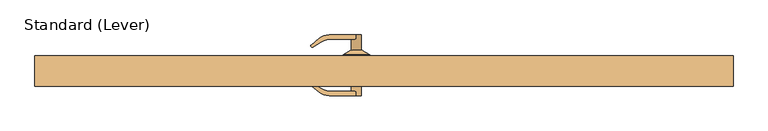
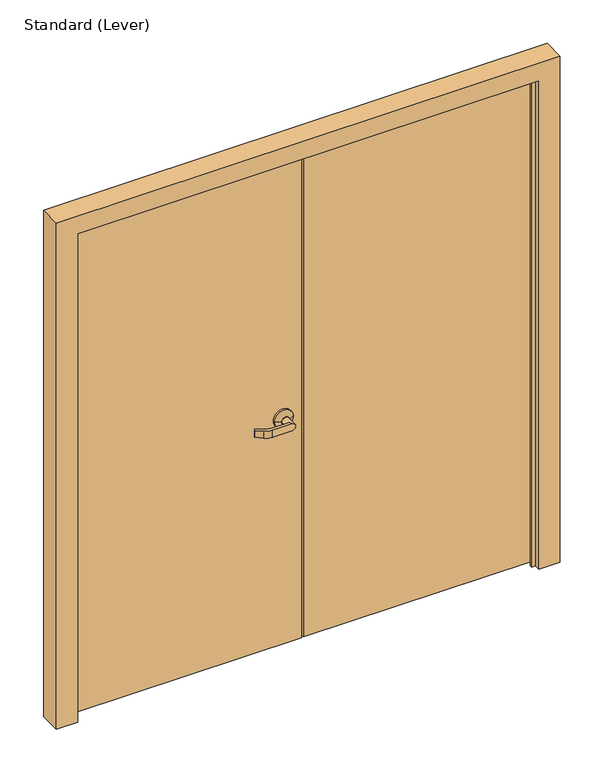
"""IFC4 building model written with IfcOpenShell, lengths in millimetres: door geometry, Standard (Lever)."""

import ifcopenshell
import ifcopenshell.guid

model = None  # the IFC model being written
_history = None  # IfcOwnerHistory: only IFC2X3 demands one
_inside = {}  # id of a spatial element -> (the spatial element, [elements in it])
_under = {}  # id of a project, library or spatial element -> (it, [spatial elements below it])
_declared = {}  # id of a project -> (the project, [libraries it declares])
_typed = {}  # id of a type object -> (the type object, [elements of that type])
_made_of = {}  # id of a material, layer set ... -> (it, [elements and type objects made of it])


def new_model(schema):
    """Start an empty IFC model of exactly this schema.

    Asked for "IFC4X3", IfcOpenShell would pick the latest addendum, in which some entities
    have other attributes; the version numbers below select the first issue.
    IFC2X3 requires an IfcOwnerHistory on every rooted entity: one is made here for all.
    """
    global model, _history
    if schema == "IFC4X3":
        model = ifcopenshell.file(schema_version=(4, 3, 0, 0))
    else:
        model = ifcopenshell.file(schema=schema)
    _inside.clear()
    _under.clear()
    _declared.clear()
    _typed.clear()
    _made_of.clear()
    _history = None
    if model.schema == "IFC2X3":
        org = make("IfcOrganization", Name="unknown")
        user = make(
            "IfcPersonAndOrganization",
            ThePerson=make("IfcPerson", FamilyName="unknown"),
            TheOrganization=org,
        )
        app = make(
            "IfcApplication",
            ApplicationDeveloper=org,
            Version="unknown",
            ApplicationFullName="unknown",
            ApplicationIdentifier="unknown",
        )
        _history = make(
            "IfcOwnerHistory",
            OwningUser=user,
            OwningApplication=app,
            ChangeAction="ADDED",
            CreationDate=0,
        )
    return model


def make(cls, **values):
    """One entity of the class cls with the attributes given. An attribute that is None is left unset."""
    return model.create_entity(
        cls, **{name: value for name, value in values.items() if value is not None}
    )


def rooted(cls, **values):
    """An entity with a GlobalId (a new one), such as an element, a storey or a relation."""
    return make(cls, GlobalId=ifcopenshell.guid.new(), OwnerHistory=_history, **values)


def si_unit(unit_type, name, prefix=None):
    """IfcSIUnit, for example si_unit("LENGTHUNIT", "METRE", prefix="MILLI")."""
    return make("IfcSIUnit", UnitType=unit_type, Prefix=prefix, Name=name)


def assignment(units):
    """IfcUnitAssignment: the units of a project."""
    return None if units is None else make("IfcUnitAssignment", Units=units)


def point(xyz):
    """IfcCartesianPoint."""
    return None if xyz is None else make("IfcCartesianPoint", Coordinates=xyz)


def direction(xyz):
    """IfcDirection."""
    return None if xyz is None else make("IfcDirection", DirectionRatios=xyz)


def frame(location, z_axis=None, x_axis=None):
    """IfcAxis2Placement3D, a coordinate frame: its origin and axes. An axis left out is left unset."""
    return make(
        "IfcAxis2Placement3D",
        Location=point(location),
        Axis=direction(z_axis),
        RefDirection=direction(x_axis),
    )


def origin():
    """The frame at (0, 0, 0) with its axes left unset."""
    return frame((0.0, 0.0, 0.0))


def place(relative_to, where):
    """IfcLocalPlacement: puts the frame where relative to a parent placement (None: the world)."""
    return make(
        "IfcLocalPlacement", PlacementRelTo=relative_to, RelativePlacement=where
    )


def context(
    kind, dimensions, precision=None, world=None, true_north=None, identifier=None
):
    """IfcGeometricRepresentationContext, for example the 3D "Model" context."""
    return make(
        "IfcGeometricRepresentationContext",
        ContextIdentifier=identifier,
        ContextType=kind,
        CoordinateSpaceDimension=dimensions,
        Precision=precision,
        WorldCoordinateSystem=world,
        TrueNorth=true_north,
    )


def project(units=None, contexts=None):
    """IfcProject with its units and contexts."""
    return rooted(
        "IfcProject",
        Name="project",
        RepresentationContexts=contexts,
        UnitsInContext=assignment(units),
    )


def spatial(cls, under=None, at=None, **own):
    """A site, building, storey or space (cls), placed at a placement, below another one or the project."""
    s = rooted(cls, ObjectPlacement=at, **own)
    if under is not None:
        _under.setdefault(under.id(), (under, []))[1].append(s)
    return s


def polyline(points):
    """IfcPolyline through the points."""
    return make("IfcPolyline", Points=[point(p) for p in points])


def circle_curve(where, radius):
    """IfcCircle in the frame where."""
    return make("IfcCircle", Position=where, Radius=radius)


def outline(outer, holes=None, kind="AREA"):
    """IfcArbitraryClosedProfileDef: a profile drawn as a closed curve; with holes, ...WithVoids."""
    if holes is None:
        return make("IfcArbitraryClosedProfileDef", ProfileType=kind, OuterCurve=outer)
    return make(
        "IfcArbitraryProfileDefWithVoids",
        ProfileType=kind,
        OuterCurve=outer,
        InnerCurves=holes,
    )


def extrude(swept, where, along, depth):
    """IfcExtrudedAreaSolid: the profile swept, set in the frame where, extruded along a direction by depth."""
    return make(
        "IfcExtrudedAreaSolid",
        SweptArea=swept,
        Position=where,
        ExtrudedDirection=direction(along),
        Depth=depth,
    )


def faces_of(points, faces, orient=None, outer=None):
    """IfcFace entities. A face is a list of loops; a loop is a list of indices into points, from 0.

    orient and outer hold one flag for each loop. By default every Orientation is true, the
    first loop of a face is its IfcFaceOuterBound and the others are IfcFaceBound.
    """
    made = []
    for i, loops in enumerate(faces):
        bounds = []
        for j, loop in enumerate(loops):
            is_outer = j == 0 if outer is None else outer[i][j]
            bounds.append(
                make(
                    "IfcFaceOuterBound" if is_outer else "IfcFaceBound",
                    Bound=make("IfcPolyLoop", Polygon=[points[k] for k in loop]),
                    Orientation=True if orient is None else orient[i][j],
                )
            )
        made.append(make("IfcFace", Bounds=bounds))
    return made


def faceted_brep(points, faces, orient=None, outer=None, voids=None):
    """IfcFacetedBrep: a solid bounded by flat faces; with voids (closed shells), ...WithVoids."""
    shared = [point(p) for p in points]
    hull = make("IfcClosedShell", CfsFaces=faces_of(shared, faces, orient, outer))
    if voids is None:
        return make("IfcFacetedBrep", Outer=hull)
    return make(
        "IfcFacetedBrepWithVoids",
        Outer=hull,
        Voids=[
            make(cls, CfsFaces=faces_of(shared, fs, o, b)) for cls, fs, o, b in voids
        ],
    )


def shape(context_of_items, identifier, shape_type, items):
    """IfcShapeRepresentation: the items that make up one representation, for example the "Body"."""
    return make(
        "IfcShapeRepresentation",
        ContextOfItems=context_of_items,
        RepresentationIdentifier=identifier,
        RepresentationType=shape_type,
        Items=items,
    )


def source(mapping_origin, context_of_items, identifier, shape_type, items):
    """IfcRepresentationMap: a shape defined once, which mapped items show again and again."""
    return make(
        "IfcRepresentationMap",
        MappingOrigin=mapping_origin,
        MappedRepresentation=shape(context_of_items, identifier, shape_type, items),
    )


def transform(
    local_origin,
    x_axis=None,
    y_axis=None,
    z_axis=None,
    scale=None,
    scale2=None,
    scale3=None,
    uniform=True,
):
    """IfcCartesianTransformationOperator3D, or its non-uniform kind. x_axis, y_axis, z_axis: its Axis1, 2, 3."""
    if uniform:
        return make(
            "IfcCartesianTransformationOperator3D",
            Axis1=direction(x_axis),
            Axis2=direction(y_axis),
            LocalOrigin=point(local_origin),
            Scale=scale,
            Axis3=direction(z_axis),
        )
    return make(
        "IfcCartesianTransformationOperator3DnonUniform",
        Axis1=direction(x_axis),
        Axis2=direction(y_axis),
        LocalOrigin=point(local_origin),
        Scale=scale,
        Axis3=direction(z_axis),
        Scale2=scale2,
        Scale3=scale3,
    )


def mapped(mapping_source, mapping_target):
    """IfcMappedItem: shows the shape of a source again, moved by a transform."""
    return make(
        "IfcMappedItem", MappingSource=mapping_source, MappingTarget=mapping_target
    )


def made_of(thing, what):
    """Note that an element or type object is made of a material, layer set ...; save() writes the relation."""
    if what is not None:
        _made_of.setdefault(what.id(), (what, []))[1].append(thing)
    return thing


def element(
    cls,
    number,
    at=None,
    inside=None,
    cuts=None,
    type_object=None,
    material=None,
    context=None,
    identifier="Body",
    shape_type=None,
    held_by="IfcProductDefinitionShape",
    body=None,
    shapes=None,
    **own,
):
    """One element of the class cls, such as IfcWall. Its Tag is "e" and its number.

    at: its placement. inside: the storey or other place that contains it. cuts: it is an
    opening in that element (IfcRelVoidsElement). A single representation is given by context,
    identifier, shape_type and body (its items); several are given by shapes. held_by: the class
    of the entity that holds the representations. save() writes the other relations.
    """
    e = rooted(cls, Tag="e%d" % number, ObjectPlacement=at, **own)
    if body is not None:
        shapes = [shape(context, identifier, shape_type, body)]
    if shapes is not None:
        e.Representation = make(held_by, Representations=shapes)
    if inside is not None:
        _inside.setdefault(inside.id(), (inside, []))[1].append(e)
    if cuts is not None:
        rooted(
            "IfcRelVoidsElement", RelatingBuildingElement=cuts, RelatedOpeningElement=e
        )
    if type_object is not None:
        _typed.setdefault(type_object.id(), (type_object, []))[1].append(e)
    return made_of(e, material)


def aggregate(whole, parts):
    """IfcRelAggregates: a whole, such as a stair, and the parts it consists of."""
    return rooted("IfcRelAggregates", RelatingObject=whole, RelatedObjects=parts)


def save(model, path):
    """Write the relations noted so far, then the file.

    IfcRelAggregates (storeys below a building ...), IfcRelContainedInSpatialStructure (elements
    in a storey), IfcRelDefinesByType, IfcRelAssociatesMaterial and IfcRelDeclares: one each for
    every whole, place, type object, material and project.
    """
    for whole, parts in _under.values():
        aggregate(whole, parts)
    for where, things in _inside.values():
        rooted(
            "IfcRelContainedInSpatialStructure",
            RelatedElements=things,
            RelatingStructure=where,
        )
    for kind, things in _typed.values():
        rooted("IfcRelDefinesByType", RelatedObjects=things, RelatingType=kind)
    for what, things in _made_of.values():
        rooted("IfcRelAssociatesMaterial", RelatedObjects=things, RelatingMaterial=what)
    for by, libraries in _declared.values():
        rooted("IfcRelDeclares", RelatingContext=by, RelatedDefinitions=libraries)
    model.write(path)


def plane_surface(at):
    """IfcPlane: the flat surface through the origin of the frame at, square to its z axis."""
    return make("IfcPlane", Position=at)


def cylinder_surface(at, radius):
    """IfcCylindricalSurface: all points at the distance radius from the z axis of the frame at."""
    return make("IfcCylindricalSurface", Position=at, Radius=radius)


def revolved_surface(curve, axis_point, axis_direction):
    """IfcSurfaceOfRevolution: the curve turned about the line through axis_point along axis_direction."""
    return make(
        "IfcSurfaceOfRevolution",
        SweptCurve=make("IfcArbitraryOpenProfileDef", ProfileType="CURVE", Curve=curve),
        AxisPosition=make("IfcAxis1Placement", Location=point(axis_point), Axis=direction(axis_direction)),
    )


def advanced_brep(points, edges, surfaces, faces):
    """IfcAdvancedBrep: a solid bounded by faces that lie on surfaces and meet in shared edges.

    An edge is (start, end): straight between two places in points (the first is 0);
    or (start, end, curve); or (start, end, curve, False) where it runs against its curve.
    A face is (place in surfaces, loops), or (place, loops, False) where it looks against
    its surface's normal. A loop lists edges by number (the first is 1), with a minus sign
    where the edge is run from its end to its start. The first loop is the outer one.
    """
    corners = [point(p) for p in points]
    vertices = [make("IfcVertexPoint", VertexGeometry=c) for c in corners]
    made = []
    for start, end, *more in edges:
        made.append(
            make(
                "IfcEdgeCurve",
                EdgeStart=vertices[start],
                EdgeEnd=vertices[end],
                EdgeGeometry=more[0] if more else make("IfcPolyline", Points=[corners[start], corners[end]]),
                SameSense=more[1] if len(more) > 1 else True,
            )
        )
    hull = []
    for where, loops, *sense in faces:
        bounds = []
        for j, loop in enumerate(loops):
            ring = [make("IfcOrientedEdge", EdgeElement=made[abs(k) - 1], Orientation=k > 0) for k in loop]
            bounds.append(
                make(
                    "IfcFaceOuterBound" if j == 0 else "IfcFaceBound",
                    Bound=make("IfcEdgeLoop", EdgeList=ring),
                    Orientation=True,
                )
            )
        hull.append(make("IfcAdvancedFace", Bounds=bounds, FaceSurface=surfaces[where], SameSense=sense[0] if sense else True))
    return make("IfcAdvancedBrep", Outer=make("IfcClosedShell", CfsFaces=hull))


def standard_lever_a0e648d0(model_context):
    return source(origin(), model_context, "Body", "SolidModel", [
        advanced_brep(
        [(-636.5875, -5.55625, 965.2), (-712.7875, -5.55625, 965.2), (-636.5875, -13.49375, 965.2), (-712.7875, -13.49375, 965.2), (-660.4, -70.64375, 965.2), (-674.6875, -70.64375, 979.4875), (-753.4374604, -70.64375, 979.4875), (-753.4374604, -70.64375, 950.9125), (-674.6875, -70.64375, 950.9125), (-674.6875, -57.94375, 950.9125), (-688.975, -57.94375, 965.2), (-688.975, -26.19375, 965.2), (-660.4, -26.19375, 965.2), (-674.6875, -57.94375, 979.4875), (-658.8125, -26.19375, 965.2), (-690.5625, -26.19375, 965.2), (-750.094728, -57.94375, 979.4875), (-777.762391, -49.7482149, 979.4875), (-800.2161767, -35.1665559, 979.4875), (-803.5789383, -35.5199964, 979.4875), (-805.5957882, -37.5368463, 979.4875), (-805.3496866, -41.7867682, 979.4875), (-781.0302761, -61.0425523, 979.4875), (-750.094728, -57.94375, 950.9125), (-781.0302761, -61.0425523, 950.9125), (-805.3496866, -41.7867682, 950.9125), (-805.5957882, -37.5368463, 950.9125), (-803.5789383, -35.5199964, 950.9125), (-800.2161767, -35.1665559, 950.9125), (-777.762391, -49.7482149, 950.9125)],
        [
            (0, 1, circle_curve(frame((-674.6875, -5.55625, 965.2), z_axis=(0.0, 1.0, 0.0), x_axis=(-1.0, 0.0, 0.0)), 38.1)),
            (1, 0, circle_curve(frame((-674.6875, -5.55625, 965.2), z_axis=(0.0, 1.0, 0.0), x_axis=(-1.0, 0.0, 0.0)), 38.1)),
            (0, 2),
            (2, 3, circle_curve(frame((-674.6875, -13.49375, 965.2), z_axis=(0.0, 1.0, 0.0), x_axis=(-1.0, 0.0, 0.0)), 38.1)),
            (3, 1),
            (3, 2, circle_curve(frame((-674.6875, -13.49375, 965.2), z_axis=(0.0, 1.0, 0.0), x_axis=(-1.0, 0.0, 0.0)), 38.1)),
            (4, 5, circle_curve(frame((-674.6875, -70.64375, 965.2), z_axis=(0.0, -1.0, 0.0), x_axis=(-1.0, 0.0, 0.0)), 14.2875)),
            (5, 6),
            (6, 7),
            (7, 8),
            (8, 4, circle_curve(frame((-674.6875, -70.64375, 965.2), z_axis=(0.0, -1.0, 0.0), x_axis=(-1.0, 0.0, 0.0)), 14.2875)),
            (8, 9),
            (9, 10, circle_curve(frame((-674.6875, -57.94375, 965.2), z_axis=(0.0, 1.0, 0.0), x_axis=(-1.0, 0.0, 0.0)), 14.2875)),
            (10, 11),
            (11, 12, circle_curve(frame((-674.6875, -26.19375, 965.2), z_axis=(0.0, -1.0, 0.0), x_axis=(-1.0, 0.0, 0.0)), 14.2875)),
            (12, 4),
            (12, 11, circle_curve(frame((-674.6875, -26.19375, 965.2), z_axis=(0.0, -1.0, 0.0), x_axis=(-1.0, 0.0, 0.0)), 14.2875)),
            (10, 13, circle_curve(frame((-674.6875, -57.94375, 965.2), z_axis=(0.0, 1.0, 0.0), x_axis=(-1.0, 0.0, 0.0)), 14.2875)),
            (13, 5),
            (14, 15, circle_curve(frame((-674.6875, -26.19375, 965.2), z_axis=(0.0, -1.0, 0.0), x_axis=(-1.0, 0.0, 0.0)), 15.875)),
            (15, 14, circle_curve(frame((-674.6875, -26.19375, 965.2), z_axis=(0.0, -1.0, 0.0), x_axis=(1.0, 0.0, 0.0)), 15.875)),
            (15, 3),
            (2, 14),
            (16, 17, circle_curve(frame((-750.094728, -7.14375, 979.4875), z_axis=(0.0, 0.0, -1.0), x_axis=(-1.0, 0.0, 0.0)), 50.8)),
            (17, 18),
            (18, 19, circle_curve(frame((-801.6793262, -37.4196085, 979.4875), z_axis=(0.0, 0.0, 1.0), x_axis=(-1.0, 0.0, 0.0)), 2.6864572)),
            (19, 20),
            (20, 21, circle_curve(frame((-803.5804071, -39.5522275, 979.4875), z_axis=(0.0, 0.0, 1.0), x_axis=(-1.0, 0.0, 0.0)), 2.8501794)),
            (21, 22),
            (22, 6, circle_curve(frame((-753.4374604, -26.19375, 979.4875), z_axis=(0.0, 0.0, 1.0), x_axis=(-1.0, 0.0, 0.0)), 44.45)),
            (13, 16),
            (23, 9),
            (7, 24, circle_curve(frame((-753.4374604, -26.19375, 950.9125), z_axis=(0.0, 0.0, -1.0), x_axis=(-1.0, 0.0, 0.0)), 44.45)),
            (24, 25),
            (25, 26, circle_curve(frame((-803.5804071, -39.5522275, 950.9125), z_axis=(0.0, 0.0, -1.0), x_axis=(-1.0, 0.0, 0.0)), 2.8501794)),
            (26, 27),
            (27, 28, circle_curve(frame((-801.6793262, -37.4196085, 950.9125), z_axis=(0.0, 0.0, -1.0), x_axis=(-1.0, 0.0, 0.0)), 2.6864572)),
            (28, 29),
            (29, 23, circle_curve(frame((-750.094728, -7.14375, 950.9125), z_axis=(0.0, 0.0, 1.0), x_axis=(-1.0, 0.0, 0.0)), 50.8)),
            (23, 16),
            (22, 24),
            (21, 25),
            (20, 26),
            (19, 27),
            (18, 28),
            (17, 29),
        ],
        [
            plane_surface(frame((-712.7875, -5.55625, 965.2), z_axis=(0.0, 1.0, 0.0), x_axis=(0.0, 0.0, -1.0))),
            cylinder_surface(frame((-674.6875, -5.55625, 965.2), z_axis=(0.0, -1.0, 0.0), x_axis=(-1.0, 0.0, 0.0)), 38.1),
            plane_surface(frame((-688.975, -70.64375, 965.2), z_axis=(0.0, -1.0, 0.0), x_axis=(0.0, 0.0, 1.0))),
            cylinder_surface(frame((-674.6875, -13.49375, 965.2), z_axis=(0.0, -1.0, 0.0), x_axis=(-1.0, 0.0, 0.0)), 14.2875),
            plane_surface(frame((-674.6875, -26.19375, 965.2), z_axis=(0.0, -1.0, 0.0), x_axis=(0.0, 0.0, -1.0))),
            revolved_surface(polyline([(-690.5625000291667, -26.19375, 965.2), (-712.7875, -13.493749999999999, 965.2)]), (-674.6875, -35.2651786, 965.2), (0.0, 1.0, 0.0)),
            revolved_surface(polyline([(-658.8124999708333, -26.19375, 965.2), (-636.5875, -13.493749999999999, 965.2)]), (-674.6875, -35.2651786, 965.2), (0.0, 1.0, 0.0)),
            plane_surface(frame((-674.6875, -57.94375, 979.4875), z_axis=(0.0, 0.0, 1.0), x_axis=(1.0, 0.0, 0.0))),
            plane_surface(frame((-674.6875, -57.94375, 950.9125), z_axis=(0.0, 0.0, -1.0), x_axis=(-1.0, 0.0, 0.0))),
            plane_surface(frame((-750.094728, -57.94375, 979.4875), z_axis=(0.0, 1.0, 0.0), x_axis=(0.0, 0.0, -1.0))),
            cylinder_surface(frame((-753.4374604, -26.19375, 950.9125), z_axis=(0.0, 0.0, 1.0), x_axis=(-1.0, 0.0, 0.0)), 44.45),
            plane_surface(frame((-781.0302761, -61.0425523, 979.4875), z_axis=(-0.6207607591148713, -0.7840000509841367, 0.0), x_axis=(0.0, 0.0, -1.0))),
            cylinder_surface(frame((-803.5804071, -39.5522275, 950.9125), z_axis=(0.0, 0.0, 1.0), x_axis=(-1.0, 0.0, 0.0)), 2.8501794),
            plane_surface(frame((-805.5957882, -37.5368463, 979.4875), z_axis=(-0.7071067811865505, 0.7071067811865446, 0.0), x_axis=(0.0, 0.0, -1.0))),
            cylinder_surface(frame((-801.6793262, -37.4196085, 950.9125), z_axis=(0.0, 0.0, 1.0), x_axis=(-1.0, 0.0, 0.0)), 2.6864572),
            plane_surface(frame((-800.2161767, -35.1665559, 979.4875), z_axis=(0.544639035015027, 0.838670567945424, 0.0), x_axis=(0.0, 0.0, -1.0))),
            revolved_surface(polyline([(-800.894728, -7.14375, 950.9125), (-800.894728, -7.14375, 979.4875)]), (-750.094728, -7.14375, 950.9125), (0.0, 0.0, -1.0)),
        ],
        [
            (0, [[1, 2]]),
            (1, [[3, 4, 5, -1]]),
            (1, [[-5, 6, -3, -2]]),
            (2, [[7, 8, 9, 10, 11]]),
            (3, [[-11, 12, 13, 14, 15, 16]]),
            (3, [[17, -14, 18, 19, -7, -16]]),
            (4, [[20, 21], [-17, -15]]),
            (5, [[22, -4, 23, -21]]),
            (6, [[-23, -6, -22, -20]]),
            (7, [[24, 25, 26, 27, 28, 29, 30, -8, -19, 31]]),
            (8, [[32, -12, -10, 33, 34, 35, 36, 37, 38, 39]]),
            (9, [[-18, -13, -32, 40, -31]]),
            (10, [[41, -33, -9, -30]]),
            (11, [[42, -34, -41, -29]]),
            (12, [[43, -35, -42, -28]]),
            (13, [[44, -36, -43, -27]]),
            (14, [[45, -37, -44, -26]]),
            (15, [[46, -38, -45, -25]]),
            (16, [[-40, -39, -46, -24]]),
        ],
    ),
        advanced_brep(
        [(-636.5875, 38.89375, 965.2), (-712.7875, 38.89375, 965.2), (-712.7875, 46.83125, 965.2), (-636.5875, 46.83125, 965.2), (-660.4, 103.98125, 965.2), (-674.6875, 103.98125, 950.9125), (-753.4374604, 103.98125, 950.9125), (-753.4374604, 103.98125, 979.4875), (-674.6875, 103.98125, 979.4875), (-660.4, 59.53125, 965.2), (-688.975, 59.53125, 965.2), (-688.975, 91.28125, 965.2), (-674.6875, 91.28125, 950.9125), (-674.6875, 91.28125, 979.4875), (-658.8125, 59.53125, 965.2), (-690.5625, 59.53125, 965.2), (-750.094728, 91.28125, 979.4875), (-781.0302761, 94.3800523, 979.4875), (-805.3496866, 75.1242682, 979.4875), (-805.5957882, 70.8743463, 979.4875), (-803.5789383, 68.8574964, 979.4875), (-800.2161767, 68.5040559, 979.4875), (-777.762391, 83.0857149, 979.4875), (-750.094728, 91.28125, 950.9125), (-777.762391, 83.0857149, 950.9125), (-800.2161767, 68.5040559, 950.9125), (-803.5789383, 68.8574964, 950.9125), (-805.5957882, 70.8743463, 950.9125), (-805.3496866, 75.1242682, 950.9125), (-781.0302761, 94.3800523, 950.9125)],
        [
            (0, 1, circle_curve(frame((-674.6875, 38.89375, 965.2), z_axis=(0.0, -1.0, 0.0), x_axis=(-1.0, 0.0, 0.0)), 38.1)),
            (1, 0, circle_curve(frame((-674.6875, 38.89375, 965.2), z_axis=(0.0, -1.0, 0.0), x_axis=(-1.0, 0.0, 0.0)), 38.1)),
            (1, 2),
            (2, 3, circle_curve(frame((-674.6875, 46.83125, 965.2), z_axis=(0.0, -1.0, 0.0), x_axis=(-1.0, 0.0, 0.0)), 38.1)),
            (3, 0),
            (3, 2, circle_curve(frame((-674.6875, 46.83125, 965.2), z_axis=(0.0, -1.0, 0.0), x_axis=(-1.0, 0.0, 0.0)), 38.1)),
            (4, 5, circle_curve(frame((-674.6875, 103.98125, 965.2), z_axis=(0.0, 1.0, 0.0), x_axis=(-1.0, 0.0, 0.0)), 14.2875)),
            (5, 6),
            (6, 7),
            (7, 8),
            (8, 4, circle_curve(frame((-674.6875, 103.98125, 965.2), z_axis=(0.0, 1.0, 0.0), x_axis=(-1.0, 0.0, 0.0)), 14.2875)),
            (4, 9),
            (9, 10, circle_curve(frame((-674.6875, 59.53125, 965.2), z_axis=(0.0, 1.0, 0.0), x_axis=(-1.0, 0.0, 0.0)), 14.2875)),
            (10, 11),
            (11, 12, circle_curve(frame((-674.6875, 91.28125, 965.2), z_axis=(0.0, -1.0, 0.0), x_axis=(-1.0, 0.0, 0.0)), 14.2875)),
            (12, 5),
            (8, 13),
            (13, 11, circle_curve(frame((-674.6875, 91.28125, 965.2), z_axis=(0.0, -1.0, 0.0), x_axis=(-1.0, 0.0, 0.0)), 14.2875)),
            (10, 9, circle_curve(frame((-674.6875, 59.53125, 965.2), z_axis=(0.0, 1.0, 0.0), x_axis=(-1.0, 0.0, 0.0)), 14.2875)),
            (14, 15, circle_curve(frame((-674.6875, 59.53125, 965.2), z_axis=(0.0, 1.0, 0.0), x_axis=(1.0, 0.0, 0.0)), 15.875)),
            (15, 14, circle_curve(frame((-674.6875, 59.53125, 965.2), z_axis=(0.0, 1.0, 0.0), x_axis=(-1.0, 0.0, 0.0)), 15.875)),
            (14, 3),
            (2, 15),
            (16, 13),
            (7, 17, circle_curve(frame((-753.4374604, 59.53125, 979.4875), z_axis=(0.0, 0.0, 1.0), x_axis=(-1.0, 0.0, 0.0)), 44.45)),
            (17, 18),
            (18, 19, circle_curve(frame((-803.5804071, 72.8897275, 979.4875), z_axis=(0.0, 0.0, 1.0), x_axis=(-1.0, 0.0, 0.0)), 2.8501794)),
            (19, 20),
            (20, 21, circle_curve(frame((-801.6793262, 70.7571085, 979.4875), z_axis=(0.0, 0.0, 1.0), x_axis=(-1.0, 0.0, 0.0)), 2.6864572)),
            (21, 22),
            (22, 16, circle_curve(frame((-750.094728, 40.48125, 979.4875), z_axis=(0.0, 0.0, -1.0), x_axis=(-1.0, 0.0, 0.0)), 50.8)),
            (23, 24, circle_curve(frame((-750.094728, 40.48125, 950.9125), z_axis=(0.0, 0.0, 1.0), x_axis=(-1.0, 0.0, 0.0)), 50.8)),
            (24, 25),
            (25, 26, circle_curve(frame((-801.6793262, 70.7571085, 950.9125), z_axis=(0.0, 0.0, -1.0), x_axis=(-1.0, 0.0, 0.0)), 2.6864572)),
            (26, 27),
            (27, 28, circle_curve(frame((-803.5804071, 72.8897275, 950.9125), z_axis=(0.0, 0.0, -1.0), x_axis=(-1.0, 0.0, 0.0)), 2.8501794)),
            (28, 29),
            (29, 6, circle_curve(frame((-753.4374604, 59.53125, 950.9125), z_axis=(0.0, 0.0, -1.0), x_axis=(-1.0, 0.0, 0.0)), 44.45)),
            (12, 23),
            (16, 23),
            (29, 17),
            (28, 18),
            (27, 19),
            (26, 20),
            (25, 21),
            (24, 22),
        ],
        [
            plane_surface(frame((-712.7875, 38.89375, 965.2), z_axis=(0.0, -1.0, 0.0), x_axis=(0.0, 0.0, -1.0))),
            cylinder_surface(frame((-674.6875, 38.89375, 965.2), z_axis=(0.0, 1.0, 0.0), x_axis=(-1.0, 0.0, 0.0)), 38.1),
            plane_surface(frame((-688.975, 103.98125, 965.2), z_axis=(0.0, 1.0, 0.0), x_axis=(0.0, 0.0, 1.0))),
            cylinder_surface(frame((-674.6875, 46.83125, 965.2), z_axis=(0.0, 1.0, 0.0), x_axis=(-1.0, 0.0, 0.0)), 14.2875),
            plane_surface(frame((-674.6875, 59.53125, 965.2), z_axis=(0.0, 1.0, 0.0), x_axis=(0.0, 0.0, -1.0))),
            revolved_surface(polyline([(-658.8124999708333, 59.53125, 965.2), (-636.5875, 46.83125, 965.2)]), (-674.6875, 68.6026786, 965.2), (0.0, -1.0, 0.0)),
            revolved_surface(polyline([(-690.5625000291667, 59.53125, 965.2), (-712.7875, 46.83125, 965.2)]), (-674.6875, 68.6026786, 965.2), (0.0, -1.0, 0.0)),
            plane_surface(frame((-674.6875, 91.28125, 979.4875), z_axis=(0.0, 0.0, 1.0), x_axis=(1.0, 0.0, 0.0))),
            plane_surface(frame((-674.6875, 91.28125, 950.9125), z_axis=(0.0, 0.0, -1.0), x_axis=(-1.0, 0.0, 0.0))),
            plane_surface(frame((-750.094728, 91.28125, 979.4875), z_axis=(0.0, -1.0, 0.0), x_axis=(0.0, 0.0, -1.0))),
            cylinder_surface(frame((-753.4374604, 59.53125, 950.9125), z_axis=(0.0, 0.0, 1.0), x_axis=(-1.0, 0.0, 0.0)), 44.45),
            plane_surface(frame((-781.0302761, 94.3800523, 979.4875), z_axis=(-0.6207607591148713, 0.7840000509841367, 0.0), x_axis=(0.0, 0.0, -1.0))),
            cylinder_surface(frame((-803.5804071, 72.8897275, 950.9125), z_axis=(0.0, 0.0, 1.0), x_axis=(-1.0, 0.0, 0.0)), 2.8501794),
            plane_surface(frame((-805.5957882, 70.8743463, 979.4875), z_axis=(-0.7071067811865505, -0.7071067811865446, 0.0), x_axis=(0.0, 0.0, -1.0))),
            cylinder_surface(frame((-801.6793262, 70.7571085, 950.9125), z_axis=(0.0, 0.0, 1.0), x_axis=(-1.0, 0.0, 0.0)), 2.6864572),
            plane_surface(frame((-800.2161767, 68.5040559, 979.4875), z_axis=(0.544639035015027, -0.838670567945424, 0.0), x_axis=(0.0, 0.0, -1.0))),
            revolved_surface(polyline([(-800.894728, 40.48125, 950.9125), (-800.894728, 40.48125, 979.4875)]), (-750.094728, 40.48125, 950.9125), (0.0, 0.0, -1.0)),
        ],
        [
            (0, [[1, 2]]),
            (1, [[-2, 3, 4, 5]]),
            (1, [[-1, -5, 6, -3]]),
            (2, [[7, 8, 9, 10, 11]]),
            (3, [[12, 13, 14, 15, 16, -7]]),
            (3, [[-12, -11, 17, 18, -14, 19]]),
            (4, [[20, 21], [-13, -19]]),
            (5, [[-20, 22, -4, 23]]),
            (6, [[-21, -23, -6, -22]]),
            (7, [[24, -17, -10, 25, 26, 27, 28, 29, 30, 31]]),
            (8, [[32, 33, 34, 35, 36, 37, 38, -8, -16, 39]]),
            (9, [[-24, 40, -39, -15, -18]]),
            (10, [[-25, -9, -38, 41]]),
            (11, [[-26, -41, -37, 42]]),
            (12, [[-27, -42, -36, 43]]),
            (13, [[-28, -43, -35, 44]]),
            (14, [[-29, -44, -34, 45]]),
            (15, [[-30, -45, -33, 46]]),
            (16, [[-31, -46, -32, -40]]),
        ],
    ),
        extrude(outline(polyline([(320.675, 38.89375), (320.675, -5.55625), (-592.1375, -5.55625), (-592.1375, 38.89375), (320.675, 38.89375)])), frame((0.0, 0.0, 12.7), z_axis=(0.0, 0.0, 1.0), x_axis=(1.0, 0.0, 0.0)), (0.0, 0.0, 1.0), 2041.525),
        extrude(outline(polyline([(-598.4875, 38.89375), (-598.4875, -5.55625), (-1511.3, -5.55625), (-1511.3, 38.89375), (-598.4875, 38.89375)])), frame((0.0, 0.0, 12.7), z_axis=(0.0, 0.0, 1.0), x_axis=(1.0, 0.0, 0.0)), (0.0, 0.0, 1.0), 2041.525),
        faceted_brep([(325.4375, -44.45, 0.0), (325.4375, -20.6375, 0.0), (311.15, -20.6375, 0.0), (311.15, -9.525, 0.0), (325.4375, -9.525, 0.0), (325.4375, 44.45, 0.0), (409.575, 44.45, 0.0), (409.575, -44.45, 0.0), (325.4375, -44.45, 2060.575), (325.4375, -20.6375, 2060.575), (-1516.0625, -20.6375, 2060.575), (-1516.0625, -20.6375, 0.0), (-1501.775, -20.6375, 0.0), (-1501.775, -20.6375, 2046.2875), (311.15, -20.6375, 2046.2875), (311.15, -9.525, 2046.2875), (-1501.775, -9.525, 2046.2875), (-1501.775, -9.525, 0.0), (-1516.0625, -9.525, 0.0), (-1516.0625, -9.525, 2060.575), (325.4375, -9.525, 2060.575), (325.4375, 44.45, 2060.575), (-1516.0625, 44.45, 2060.575), (-1516.0625, 44.45, 0.0), (-1600.2, 44.45, 0.0), (-1600.2, 44.45, 2133.6), (409.575, 44.45, 2133.6), (409.575, -44.45, 2133.6), (-1600.2, -44.45, 2133.6), (-1600.2, -44.45, 0.0), (-1516.0625, -44.45, 0.0), (-1516.0625, -44.45, 2060.575)], [[[0, 1, 2, 3, 4, 5, 6, 7]], [[1, 0, 8, 9]], [[2, 1, 9, 10, 11, 12, 13, 14]], [[3, 2, 14, 15]], [[4, 3, 15, 16, 17, 18, 19, 20]], [[5, 4, 20, 21]], [[6, 5, 21, 22, 23, 24, 25, 26]], [[7, 6, 26, 27]], [[0, 7, 27, 28, 29, 30, 31, 8]], [[30, 29, 24, 23, 18, 17, 12, 11]], [[24, 29, 28, 25]], [[19, 18, 23, 22]], [[12, 17, 16, 13]], [[30, 11, 10, 31]], [[28, 27, 26, 25]], [[10, 9, 8, 31]], [[15, 14, 13, 16]], [[21, 20, 19, 22]]]),
    ])


if __name__ == "__main__":
    model = new_model("IFC4")
    model_context = context("Model", 3, world=origin())
    ifc_project = project(units=[si_unit("LENGTHUNIT", "METRE", prefix="MILLI")], contexts=[model_context])
    site = spatial("IfcSite", under=ifc_project)
    building = spatial("IfcBuilding", under=site)
    placement = place(None, origin())
    standard_lever_shape = standard_lever_a0e648d0(model_context)
    element("IfcDoor", 1, ObjectType="Standard (Lever)", at=placement, inside=building, context=model_context, shape_type="MappedRepresentation", body=[
        mapped(standard_lever_shape, transform((0.0, 0.0, 0.0), x_axis=(1.0, 0.0, 0.0), y_axis=(0.0, 1.0, 0.0), z_axis=(0.0, 0.0, 1.0))),
    ])
    save(model, "model.ifc")
